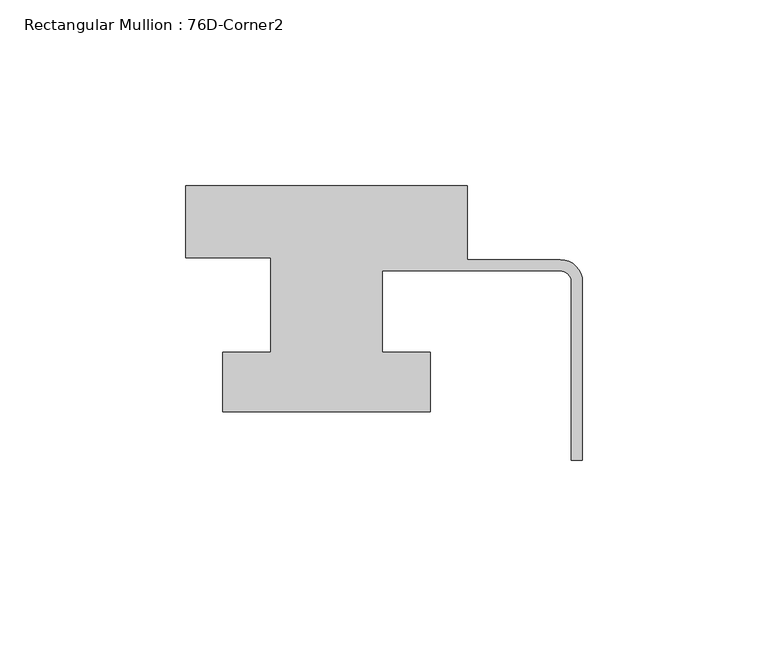
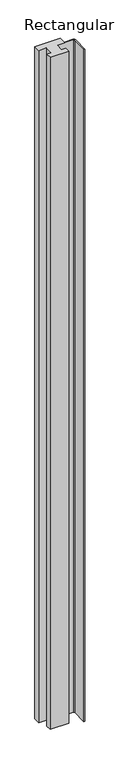
"""IFC4 building model written with IfcOpenShell, lengths in millimetres: member geometry, Rectangular Mullion : 76D-Corner2."""

from ifc_helpers import new_model, si_unit, point, frame, frame_2d, origin, place, context, project, spatial, polyline, circle_curve, trimmed, segment, composite_curve, outline, extrude, source, transform, mapped, element, save


def rectangular_mullion_76d_corner2_b709f375(model_context):
    return source(origin(), model_context, "Body", "SweptSolid", [
        extrude(outline(composite_curve([segment(polyline([(-107.0, 20.0), (-31.0, 20.0), (-31.0, 0.0), (-6.0, 0.0)]), True, "CONTINUOUS"), segment(trimmed(circle_curve(frame_2d((-6.0, -6.0)), 6.0), [point((-6.0, 0.0))], [point((0.0, -6.0))], False, "CARTESIAN"), True, "CONTINUOUS"), segment(polyline([(0.0, -6.0), (0.0, -54.0), (-3.0, -54.0), (-3.0, -6.0)]), True, "CONTINUOUS"), segment(trimmed(circle_curve(frame_2d((-6.0, -6.0)), 3.0), [point((-3.0, -6.0))], [point((-6.0, -3.0))], True, "CARTESIAN"), True, "CONTINUOUS"), segment(polyline([(-6.0, -3.0), (-54.0, -3.0), (-54.0, -25.0), (-41.0, -25.0), (-41.0, -41.0), (-97.0, -41.0), (-97.0, -25.0), (-84.0, -25.0), (-84.0, 0.5), (-107.0, 0.5), (-107.0, 20.0)]), True, "CONTINUOUS")], self_intersect=False)), frame((0.0, 0.0, -2124.0), z_axis=(0.0, 0.0, 1.0), x_axis=(1.0, 0.0, 0.0)), (0.0, 0.0, 1.0), 2124.0),
    ])


if __name__ == "__main__":
    model = new_model("IFC4")
    model_context = context("Model", 3, world=origin())
    ifc_project = project(units=[si_unit("LENGTHUNIT", "METRE", prefix="MILLI")], contexts=[model_context])
    site = spatial("IfcSite", under=ifc_project)
    building = spatial("IfcBuilding", under=site)
    placement = place(None, origin())
    rectangular_mullion_76d_corner2_shape = rectangular_mullion_76d_corner2_b709f375(model_context)
    element("IfcMember", 1, ObjectType="Rectangular Mullion : 76D-Corner2", at=placement, inside=building, context=model_context, shape_type="MappedRepresentation", body=[
        mapped(rectangular_mullion_76d_corner2_shape, transform((0.0, 0.0, 0.0), x_axis=(1.0, 0.0, 0.0), y_axis=(0.0, 1.0, 0.0), z_axis=(0.0, 0.0, 1.0))),
    ])
    save(model, "model.ifc")
